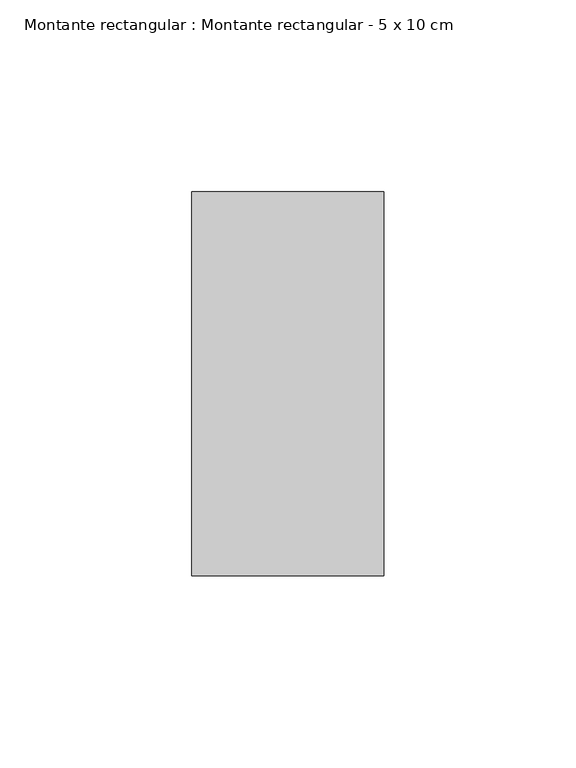
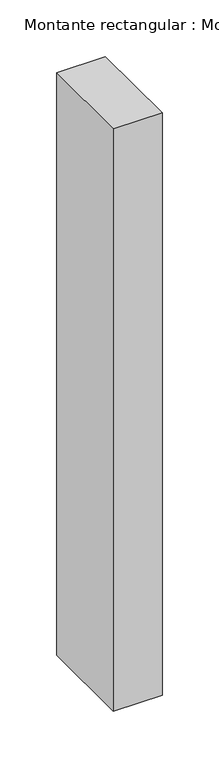
"""IFC4 building model written with IfcOpenShell, lengths in millimetres: member geometry, Montante rectangular : Montante rectangular - 5 x 10 cm."""

from ifc_helpers import new_model, si_unit, frame, origin, place, context, project, spatial, polyline, outline, extrude, source, transform, mapped, element, save


def montante_rectangular_montante_rectangular_5_x_10_cm_05d99512(model_context):
    return source(origin(), model_context, "Body", "SweptSolid", [
        extrude(outline(polyline([(-50.0, 50.0), (0.0, 50.0), (0.0, -50.0), (-50.0, -50.0), (-50.0, 50.0)])), frame((0.0, 0.0, -629.0), z_axis=(0.0, 0.0, 1.0), x_axis=(1.0, 0.0, 0.0)), (0.0, 0.0, 1.0), 629.0),
    ])


if __name__ == "__main__":
    model = new_model("IFC4")
    model_context = context("Model", 3, world=origin())
    ifc_project = project(units=[si_unit("LENGTHUNIT", "METRE", prefix="MILLI")], contexts=[model_context])
    site = spatial("IfcSite", under=ifc_project)
    building = spatial("IfcBuilding", under=site)
    placement = place(None, origin())
    montante_rectangular_montante_rectangular_5_x_10_cm_shape = montante_rectangular_montante_rectangular_5_x_10_cm_05d99512(model_context)
    element("IfcMember", 1, ObjectType="Montante rectangular : Montante rectangular - 5 x 10 cm", at=placement, inside=building, context=model_context, shape_type="MappedRepresentation", body=[
        mapped(montante_rectangular_montante_rectangular_5_x_10_cm_shape, transform((0.0, 0.0, 0.0), x_axis=(1.0, 0.0, 0.0), y_axis=(0.0, 1.0, 0.0), z_axis=(0.0, 0.0, 1.0))),
    ])
    save(model, "model.ifc")
